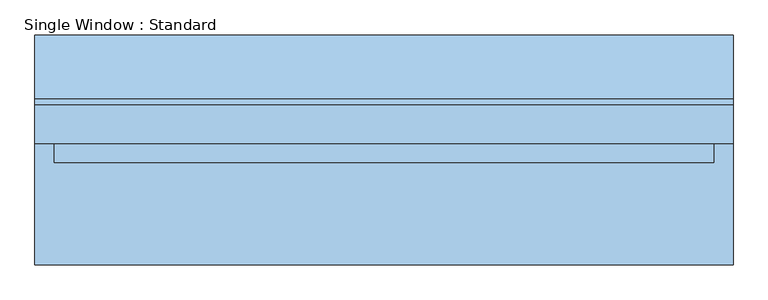
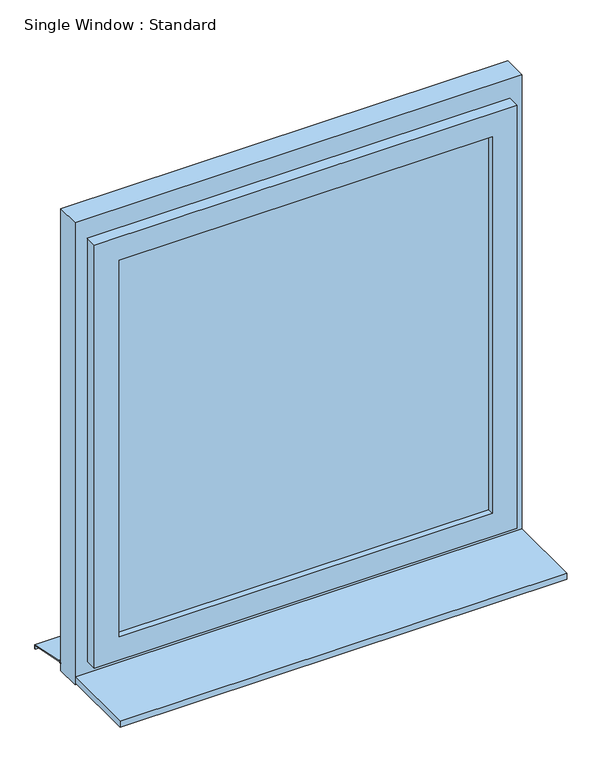
"""IFC4 building model written with IfcOpenShell, lengths in millimetres: window geometry, Single Window : Standard."""

from ifc_helpers import new_model, si_unit, frame, origin, place, context, project, spatial, polyline, outline, extrude, faceted_brep, source, transform, mapped, element, save


def single_window_standard_56907e09(model_context):
    return source(origin(), model_context, "Body", "SolidModel", [
        extrude(outline(polyline([(456.1350421, -5.0), (-456.1350421, -5.0), (-456.1350421, 25.0), (456.1350421, 25.0), (456.1350421, -5.0)])), frame((0.0, 0.0, 1110.0), z_axis=(0.0, 0.0, 1.0), x_axis=(1.0, 0.0, 0.0)), (0.0, 0.0, 1.0), 972.1944992),
        faceted_brep([(516.1350421, 10.0, 2142.1944992), (516.1350421, -20.0, 2142.1944992), (516.1350421, -20.0, 1050.0), (516.1350421, 10.0, 1050.0), (486.1350421, 40.0, 2112.1944992), (486.1350421, 10.0, 2112.1944992), (486.1350421, 10.0, 1080.0), (486.1350421, 40.0, 1080.0), (456.1350421, -20.0, 2082.1944992), (456.1350421, 40.0, 2082.1944992), (456.1350421, 40.0, 1110.0), (456.1350421, -20.0, 1110.0), (-516.1350421, -20.0, 1050.0), (-516.1350421, 10.0, 1050.0), (-486.1350421, 10.0, 1080.0), (-486.1350421, 40.0, 1080.0), (-456.1350421, 40.0, 1110.0), (-456.1350421, -20.0, 1110.0), (-516.1350421, -20.0, 2142.1944992), (-516.1350421, 10.0, 2142.1944992), (-486.1350421, 10.0, 2112.1944992), (-486.1350421, 40.0, 2112.1944992), (-456.1350421, 40.0, 2082.1944992), (-456.1350421, -20.0, 2082.1944992)], [[[0, 1, 2, 3]], [[4, 5, 6, 7]], [[8, 9, 10, 11]], [[3, 2, 12, 13]], [[7, 6, 14, 15]], [[11, 10, 16, 17]], [[13, 12, 18, 19]], [[15, 14, 20, 21]], [[17, 16, 22, 23]], [[19, 18, 1, 0]], [[3, 13, 19, 0], [5, 20, 14, 6]], [[21, 20, 5, 4]], [[7, 15, 21, 4], [9, 22, 16, 10]], [[23, 22, 9, 8]], [[1, 18, 12, 2], [11, 17, 23, 8]]]),
        extrude(outline(polyline([(2192.1944992, 546.1350421), (2192.1944992, -546.1350421), (1000.0, -546.1350421), (1000.0, 546.1350421), (2192.1944992, 546.1350421)]), holes=[polyline([(2112.1944992, 486.1350421), (1080.0, 486.1350421), (1080.0, -486.1350421), (2112.1944992, -486.1350421), (2112.1944992, 486.1350421)])]), frame((0.0, 10.0, 0.0), z_axis=(0.0, 1.0, 0.0), x_axis=(0.0, 0.0, 1.0)), (0.0, 0.0, 1.0), 60.0),
        extrude(outline(polyline([(80.0221543, 1020.0), (180.0, 1000.0), (180.0, 990.0), (178.0, 990.0), (178.0, 998.3604634), (79.8240723, 1018.0), (70.0, 1018.0), (70.0, 1020.0), (80.0221543, 1020.0)])), frame((-546.1350421, 0.0, 0.0), z_axis=(1.0, 0.0, 0.0), x_axis=(0.0, 1.0, 0.0)), (0.0, 0.0, 1.0), 1092.2700843),
        extrude(outline(polyline([(-546.1350421, -180.0), (-546.1350421, 10.0), (546.1350421, 10.0), (546.1350421, -180.0), (-546.1350421, -180.0)])), frame((0.0, 0.0, 1005.0), z_axis=(0.0, 0.0, 1.0), x_axis=(1.0, 0.0, 0.0)), (0.0, 0.0, 1.0), 15.0),
    ])


if __name__ == "__main__":
    model = new_model("IFC4")
    model_context = context("Model", 3, world=origin())
    ifc_project = project(units=[si_unit("LENGTHUNIT", "METRE", prefix="MILLI")], contexts=[model_context])
    site = spatial("IfcSite", under=ifc_project)
    building = spatial("IfcBuilding", under=site)
    placement = place(None, origin())
    single_window_standard_shape = single_window_standard_56907e09(model_context)
    element("IfcWindow", 1, ObjectType="Single Window : Standard", at=placement, inside=building, context=model_context, shape_type="MappedRepresentation", body=[
        mapped(single_window_standard_shape, transform((0.0, 0.0, 0.0), x_axis=(1.0, 0.0, 0.0), y_axis=(0.0, 1.0, 0.0), z_axis=(0.0, 0.0, 1.0))),
    ])
    save(model, "model.ifc")
